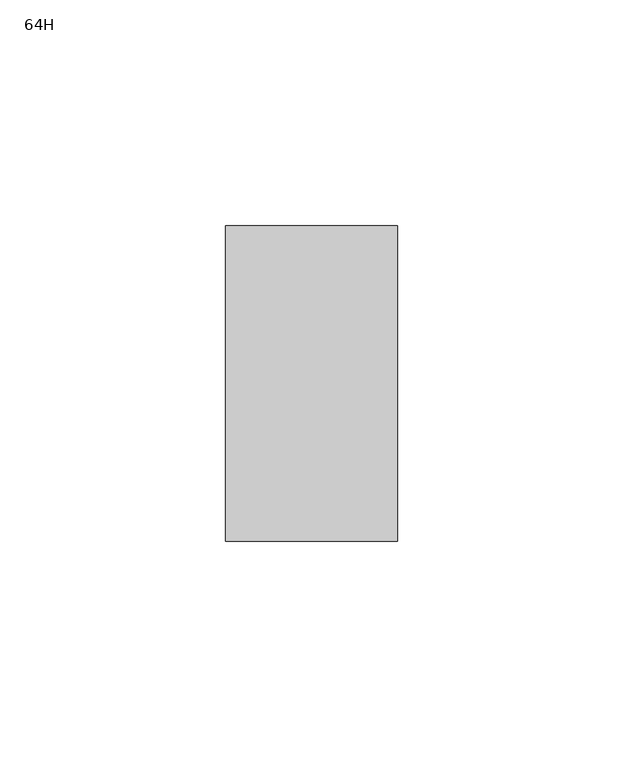
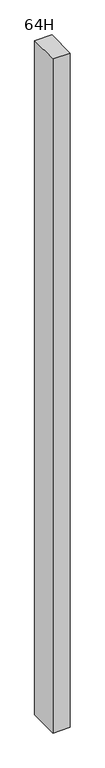
"""IFC4 building model written with IfcOpenShell, lengths in millimetres: furniture geometry, 64H."""

from ifc_helpers import new_model, si_unit, frame, origin, place, context, project, spatial, polyline, outline, extrude, source, transform, mapped, element, save


def furniture_64h_896fdfd1(model_context):
    return source(origin(), model_context, "Body", "SweptSolid", [
        extrude(outline(polyline([(-19.05, 25.4), (19.05, 25.4), (19.05, -44.45), (-19.05, -44.45), (-19.05, 25.4)])), frame((0.0, 0.0, 504.3450987), z_axis=(0.0, 0.0, 1.0), x_axis=(1.0, 0.0, 0.0)), (0.0, 0.0, 1.0), 1572.7164063),
    ])


if __name__ == "__main__":
    model = new_model("IFC4")
    model_context = context("Model", 3, world=origin())
    ifc_project = project(units=[si_unit("LENGTHUNIT", "METRE", prefix="MILLI")], contexts=[model_context])
    site = spatial("IfcSite", under=ifc_project)
    building = spatial("IfcBuilding", under=site)
    placement = place(None, origin())
    furniture_64h_shape = furniture_64h_896fdfd1(model_context)
    element("IfcFurniture", 1, ObjectType="64H", at=placement, inside=building, context=model_context, shape_type="MappedRepresentation", body=[
        mapped(furniture_64h_shape, transform((0.0, 0.0, 0.0), x_axis=(1.0, 0.0, 0.0), y_axis=(0.0, 1.0, 0.0), z_axis=(0.0, 0.0, 1.0))),
    ])
    save(model, "model.ifc")
